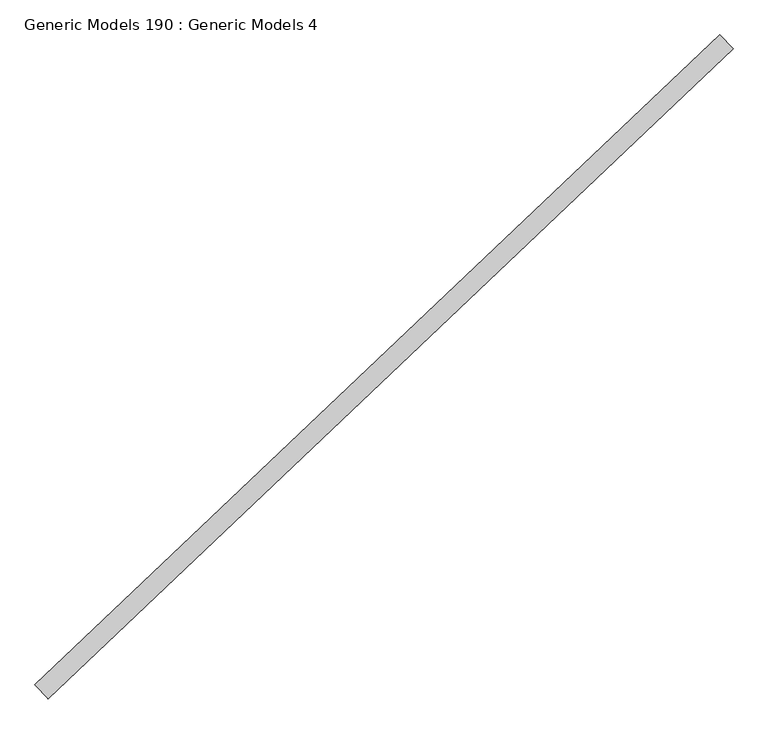
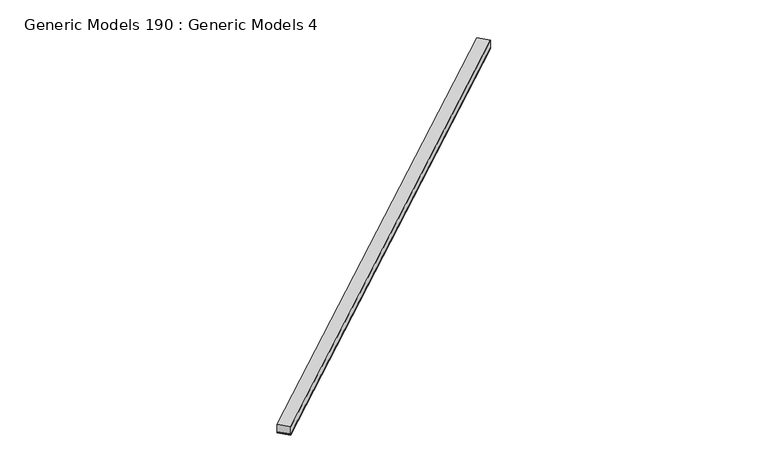
"""IFC4 building model written with IfcOpenShell, lengths in millimetres: proxy geometry, Generic Models 190 : Generic Models 4."""

from ifc_helpers import new_model, si_unit, point, frame, frame_2d, origin, place, context, project, spatial, polyline, circle_curve, trimmed, segment, composite_curve, outline, extrude, source, transform, mapped, element, save


def generic_models_190_generic_models_4_e4d5043f(model_context):
    return source(origin(), model_context, "Body", "SweptSolid", [
        extrude(outline(composite_curve([segment(polyline([(92.075, -9.128125), (0.0, -9.128125)]), True, "CONTINUOUS"), segment(trimmed(circle_curve(frame_2d((-4.4149557, -4.5640625)), 6.35), [point((0.0, -9.128125))], [point((0.0, 0.0))], True, "CARTESIAN"), True, "CONTINUOUS"), segment(polyline([(0.0, 0.0), (92.075, 0.0)]), True, "CONTINUOUS"), segment(trimmed(circle_curve(frame_2d((96.4899556, -4.5640625)), 6.35), [point((92.075, 0.0))], [point((92.075, -9.128125))], True, "CARTESIAN"), True, "CONTINUOUS")], self_intersect=False)), frame((99763.4645275, 57298.7606646, 17501.1878084), z_axis=(0.7253743710123147, 0.6883545756937256, 0.0), x_axis=(0.6883545756937256, -0.7253743710123147, 0.0)), (0.0, 0.0, 1.0), 4530.725),
        extrude(outline(polyline([(99826.844775, 57231.9718194), (99763.4645275, 57298.7606646), (103049.9363246, 60417.5059496), (103113.3165721, 60350.7171044), (99826.844775, 57231.9718194)])), frame((0.0, 0.0, 17510.7128084), z_axis=(0.0, 0.0, 1.0), x_axis=(1.0, 0.0, 0.0)), (0.0, 0.0, 1.0), 57.15),
    ])


if __name__ == "__main__":
    model = new_model("IFC4")
    model_context = context("Model", 3, world=origin())
    ifc_project = project(units=[si_unit("LENGTHUNIT", "METRE", prefix="MILLI")], contexts=[model_context])
    site = spatial("IfcSite", under=ifc_project)
    building = spatial("IfcBuilding", under=site)
    placement = place(None, origin())
    generic_models_190_generic_models_4_shape = generic_models_190_generic_models_4_e4d5043f(model_context)
    element("IfcBuildingElementProxy", 1, Name="Generic Models 190 : Generic Models 4", ObjectType="Generic Models 190 : Generic Models 4", at=placement, inside=building, context=model_context, shape_type="MappedRepresentation", body=[
        mapped(generic_models_190_generic_models_4_shape, transform((0.0, 0.0, 0.0), x_axis=(1.0, 0.0, 0.0), y_axis=(0.0, 1.0, 0.0), z_axis=(0.0, 0.0, 1.0))),
    ])
    save(model, "model.ifc")
